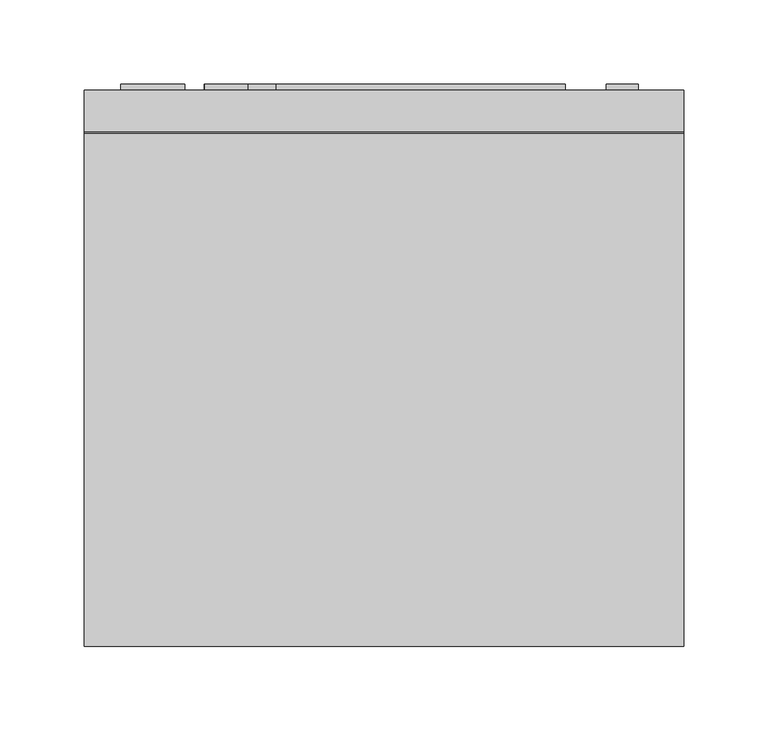
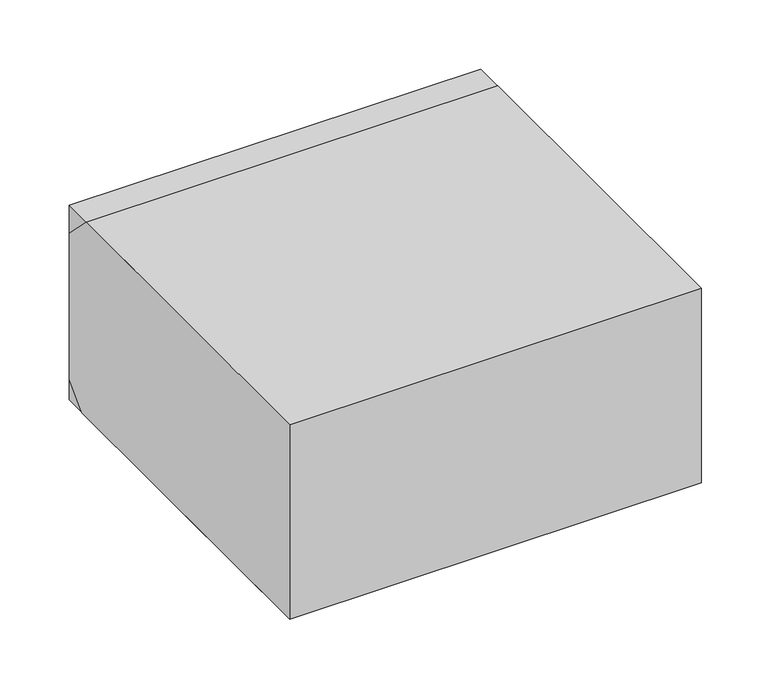
"""IFC4 building model written with IfcOpenShell, lengths in millimetres: proxy geometry."""

from ifc_helpers import new_model, si_unit, frame, origin, origin_with_axes, place, context, project, spatial, polyline, outline, extrude, source, transform, mapped, element, save


def specialty_equipment_ec502b29(model_context):
    return source(origin(), model_context, "Body", "SweptSolid", [
        extrude(outline(polyline([(-118.1220681, 165.1), (-156.2220681, 165.1), (-156.2220681, 168.6216965), (-118.1220681, 168.6216965), (-118.1220681, 165.1)])), frame((0.0, 0.0, 32.8532625), z_axis=(0.0, 0.0, 1.0), x_axis=(1.0, 0.0, 0.0)), (0.0, 0.0, 1.0), 107.95),
        extrude(outline(polyline([(0.0, 165.1), (-106.5512543, 165.1), (-106.5512543, 168.6216965), (0.0, 168.6216965), (0.0, 165.1)])), frame((0.0, 0.0, 32.6606569), z_axis=(0.0, 0.0, 1.0), x_axis=(1.0, 0.0, 0.0)), (0.0, 0.0, 1.0), 34.7124413),
        extrude(outline(polyline([(-80.9681755, 165.1), (-106.3681755, 165.1), (-106.3681755, 168.6216965), (-80.9681755, 168.6216965), (-80.9681755, 165.1)])), frame((0.0, 0.0, 83.4898148), z_axis=(0.0, 0.0, 1.0), x_axis=(1.0, 0.0, 0.0)), (0.0, 0.0, 1.0), 19.05),
        extrude(outline(polyline([(-80.9681755, 165.1), (-106.3681755, 165.1), (-106.3681755, 168.6216965), (-80.9681755, 168.6216965), (-80.9681755, 165.1)])), frame((0.0, 0.0, 121.5898148), z_axis=(0.0, 0.0, 1.0), x_axis=(1.0, 0.0, 0.0)), (0.0, 0.0, 1.0), 19.05),
        extrude(outline(polyline([(107.4091764, 165.1), (-64.0408236, 165.1), (-64.0408236, 168.6216965), (107.4091764, 168.6216965), (107.4091764, 165.1)])), frame((0.0, 0.0, 82.4604304), z_axis=(0.0, 0.0, 1.0), x_axis=(1.0, 0.0, 0.0)), (0.0, 0.0, 1.0), 19.05),
        extrude(outline(polyline([(107.4091764, 165.1), (-64.0408236, 165.1), (-64.0408236, 168.6216965), (107.4091764, 168.6216965), (107.4091764, 165.1)])), frame((0.0, 0.0, 120.5604304), z_axis=(0.0, 0.0, 1.0), x_axis=(1.0, 0.0, 0.0)), (0.0, 0.0, 1.0), 19.05),
        extrude(outline(polyline([(150.8026816, 165.1), (131.7526816, 165.1), (131.7526816, 168.6216965), (150.8026816, 168.6216965), (150.8026816, 165.1)])), frame((0.0, 0.0, 76.8229594), z_axis=(0.0, 0.0, 1.0), x_axis=(1.0, 0.0, 0.0)), (0.0, 0.0, 1.0), 63.5),
        extrude(outline(polyline([(150.8026816, 165.1), (131.7526816, 165.1), (131.7526816, 168.6216965), (150.8026816, 168.6216965), (150.8026816, 165.1)])), frame((0.0, 0.0, 29.9056647), z_axis=(0.0, 0.0, 1.0), x_axis=(1.0, 0.0, 0.0)), (0.0, 0.0, 1.0), 31.75),
        extrude(outline(polyline([(-165.1, 0.0), (-165.1, 177.8), (139.7, 177.8), (165.1, 152.4), (165.1, 19.05), (146.05, 0.0), (-165.1, 0.0)])), frame((-177.8, 0.0, 0.0), z_axis=(1.0, 0.0, 0.0), x_axis=(0.0, 1.0, 0.0)), (0.0, 0.0, 1.0), 355.6),
        extrude(outline(polyline([(-177.8, 165.1), (177.8, 165.1), (177.8, -165.1), (-177.8, -165.1), (-177.8, 0.0), (-177.8, 165.1)])), origin_with_axes(), (0.0, 0.0, 1.0), 177.8),
    ])


if __name__ == "__main__":
    model = new_model("IFC4")
    model_context = context("Model", 3, world=origin())
    ifc_project = project(units=[si_unit("LENGTHUNIT", "METRE", prefix="MILLI")], contexts=[model_context])
    site = spatial("IfcSite", under=ifc_project)
    building = spatial("IfcBuilding", under=site)
    placement = place(None, origin())
    specialty_equipment_shape = specialty_equipment_ec502b29(model_context)
    element("IfcBuildingElementProxy", 1, Name="Specialty Equipment", at=placement, inside=building, context=model_context, shape_type="MappedRepresentation", body=[
        mapped(specialty_equipment_shape, transform((0.0, 0.0, 0.0), x_axis=(1.0, 0.0, 0.0), y_axis=(0.0, 1.0, 0.0), z_axis=(0.0, 0.0, 1.0))),
    ])
    save(model, "model.ifc")
